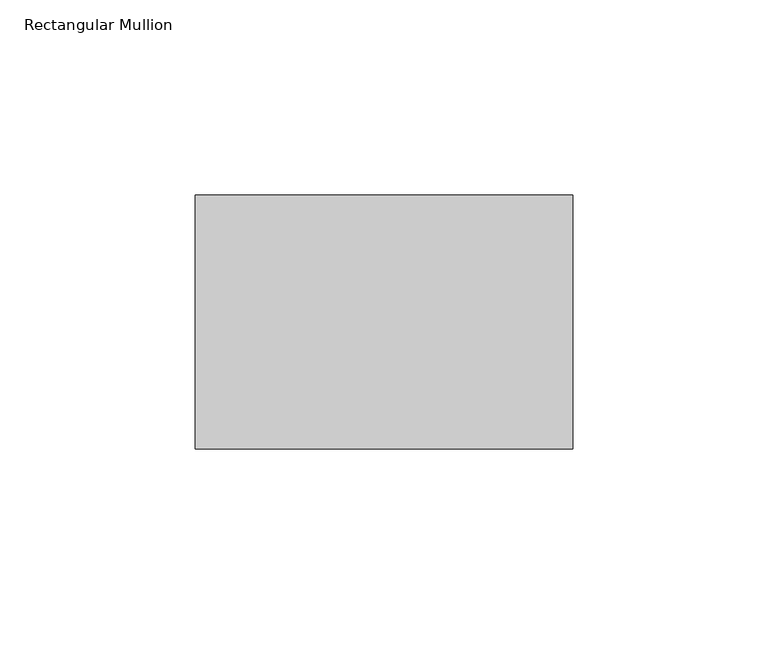
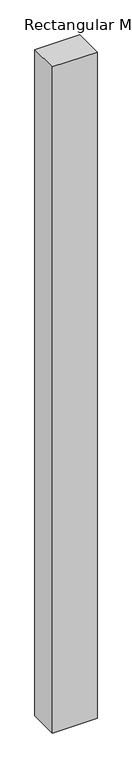
"""IFC4 building model written with IfcOpenShell, lengths in millimetres: member geometry, Rectangular Mullion."""

import ifcopenshell
import ifcopenshell.guid

model = None  # the IFC model being written
_history = None  # IfcOwnerHistory: only IFC2X3 demands one
_inside = {}  # id of a spatial element -> (the spatial element, [elements in it])
_under = {}  # id of a project, library or spatial element -> (it, [spatial elements below it])
_declared = {}  # id of a project -> (the project, [libraries it declares])
_typed = {}  # id of a type object -> (the type object, [elements of that type])
_made_of = {}  # id of a material, layer set ... -> (it, [elements and type objects made of it])


def new_model(schema):
    """Start an empty IFC model of exactly this schema.

    Asked for "IFC4X3", IfcOpenShell would pick the latest addendum, in which some entities
    have other attributes; the version numbers below select the first issue.
    IFC2X3 requires an IfcOwnerHistory on every rooted entity: one is made here for all.
    """
    global model, _history
    if schema == "IFC4X3":
        model = ifcopenshell.file(schema_version=(4, 3, 0, 0))
    else:
        model = ifcopenshell.file(schema=schema)
    _inside.clear()
    _under.clear()
    _declared.clear()
    _typed.clear()
    _made_of.clear()
    _history = None
    if model.schema == "IFC2X3":
        org = make("IfcOrganization", Name="unknown")
        user = make(
            "IfcPersonAndOrganization",
            ThePerson=make("IfcPerson", FamilyName="unknown"),
            TheOrganization=org,
        )
        app = make(
            "IfcApplication",
            ApplicationDeveloper=org,
            Version="unknown",
            ApplicationFullName="unknown",
            ApplicationIdentifier="unknown",
        )
        _history = make(
            "IfcOwnerHistory",
            OwningUser=user,
            OwningApplication=app,
            ChangeAction="ADDED",
            CreationDate=0,
        )
    return model


def make(cls, **values):
    """One entity of the class cls with the attributes given. An attribute that is None is left unset."""
    return model.create_entity(
        cls, **{name: value for name, value in values.items() if value is not None}
    )


def rooted(cls, **values):
    """An entity with a GlobalId (a new one), such as an element, a storey or a relation."""
    return make(cls, GlobalId=ifcopenshell.guid.new(), OwnerHistory=_history, **values)


def si_unit(unit_type, name, prefix=None):
    """IfcSIUnit, for example si_unit("LENGTHUNIT", "METRE", prefix="MILLI")."""
    return make("IfcSIUnit", UnitType=unit_type, Prefix=prefix, Name=name)


def assignment(units):
    """IfcUnitAssignment: the units of a project."""
    return None if units is None else make("IfcUnitAssignment", Units=units)


def point(xyz):
    """IfcCartesianPoint."""
    return None if xyz is None else make("IfcCartesianPoint", Coordinates=xyz)


def direction(xyz):
    """IfcDirection."""
    return None if xyz is None else make("IfcDirection", DirectionRatios=xyz)


def frame(location, z_axis=None, x_axis=None):
    """IfcAxis2Placement3D, a coordinate frame: its origin and axes. An axis left out is left unset."""
    return make(
        "IfcAxis2Placement3D",
        Location=point(location),
        Axis=direction(z_axis),
        RefDirection=direction(x_axis),
    )


def origin():
    """The frame at (0, 0, 0) with its axes left unset."""
    return frame((0.0, 0.0, 0.0))


def place(relative_to, where):
    """IfcLocalPlacement: puts the frame where relative to a parent placement (None: the world)."""
    return make(
        "IfcLocalPlacement", PlacementRelTo=relative_to, RelativePlacement=where
    )


def context(
    kind, dimensions, precision=None, world=None, true_north=None, identifier=None
):
    """IfcGeometricRepresentationContext, for example the 3D "Model" context."""
    return make(
        "IfcGeometricRepresentationContext",
        ContextIdentifier=identifier,
        ContextType=kind,
        CoordinateSpaceDimension=dimensions,
        Precision=precision,
        WorldCoordinateSystem=world,
        TrueNorth=true_north,
    )


def project(units=None, contexts=None):
    """IfcProject with its units and contexts."""
    return rooted(
        "IfcProject",
        Name="project",
        RepresentationContexts=contexts,
        UnitsInContext=assignment(units),
    )


def spatial(cls, under=None, at=None, **own):
    """A site, building, storey or space (cls), placed at a placement, below another one or the project."""
    s = rooted(cls, ObjectPlacement=at, **own)
    if under is not None:
        _under.setdefault(under.id(), (under, []))[1].append(s)
    return s


def polyline(points):
    """IfcPolyline through the points."""
    return make("IfcPolyline", Points=[point(p) for p in points])


def outline(outer, holes=None, kind="AREA"):
    """IfcArbitraryClosedProfileDef: a profile drawn as a closed curve; with holes, ...WithVoids."""
    if holes is None:
        return make("IfcArbitraryClosedProfileDef", ProfileType=kind, OuterCurve=outer)
    return make(
        "IfcArbitraryProfileDefWithVoids",
        ProfileType=kind,
        OuterCurve=outer,
        InnerCurves=holes,
    )


def extrude(swept, where, along, depth):
    """IfcExtrudedAreaSolid: the profile swept, set in the frame where, extruded along a direction by depth."""
    return make(
        "IfcExtrudedAreaSolid",
        SweptArea=swept,
        Position=where,
        ExtrudedDirection=direction(along),
        Depth=depth,
    )


def shape(context_of_items, identifier, shape_type, items):
    """IfcShapeRepresentation: the items that make up one representation, for example the "Body"."""
    return make(
        "IfcShapeRepresentation",
        ContextOfItems=context_of_items,
        RepresentationIdentifier=identifier,
        RepresentationType=shape_type,
        Items=items,
    )


def source(mapping_origin, context_of_items, identifier, shape_type, items):
    """IfcRepresentationMap: a shape defined once, which mapped items show again and again."""
    return make(
        "IfcRepresentationMap",
        MappingOrigin=mapping_origin,
        MappedRepresentation=shape(context_of_items, identifier, shape_type, items),
    )


def transform(
    local_origin,
    x_axis=None,
    y_axis=None,
    z_axis=None,
    scale=None,
    scale2=None,
    scale3=None,
    uniform=True,
):
    """IfcCartesianTransformationOperator3D, or its non-uniform kind. x_axis, y_axis, z_axis: its Axis1, 2, 3."""
    if uniform:
        return make(
            "IfcCartesianTransformationOperator3D",
            Axis1=direction(x_axis),
            Axis2=direction(y_axis),
            LocalOrigin=point(local_origin),
            Scale=scale,
            Axis3=direction(z_axis),
        )
    return make(
        "IfcCartesianTransformationOperator3DnonUniform",
        Axis1=direction(x_axis),
        Axis2=direction(y_axis),
        LocalOrigin=point(local_origin),
        Scale=scale,
        Axis3=direction(z_axis),
        Scale2=scale2,
        Scale3=scale3,
    )


def mapped(mapping_source, mapping_target):
    """IfcMappedItem: shows the shape of a source again, moved by a transform."""
    return make(
        "IfcMappedItem", MappingSource=mapping_source, MappingTarget=mapping_target
    )


def made_of(thing, what):
    """Note that an element or type object is made of a material, layer set ...; save() writes the relation."""
    if what is not None:
        _made_of.setdefault(what.id(), (what, []))[1].append(thing)
    return thing


def element(
    cls,
    number,
    at=None,
    inside=None,
    cuts=None,
    type_object=None,
    material=None,
    context=None,
    identifier="Body",
    shape_type=None,
    held_by="IfcProductDefinitionShape",
    body=None,
    shapes=None,
    **own,
):
    """One element of the class cls, such as IfcWall. Its Tag is "e" and its number.

    at: its placement. inside: the storey or other place that contains it. cuts: it is an
    opening in that element (IfcRelVoidsElement). A single representation is given by context,
    identifier, shape_type and body (its items); several are given by shapes. held_by: the class
    of the entity that holds the representations. save() writes the other relations.
    """
    e = rooted(cls, Tag="e%d" % number, ObjectPlacement=at, **own)
    if body is not None:
        shapes = [shape(context, identifier, shape_type, body)]
    if shapes is not None:
        e.Representation = make(held_by, Representations=shapes)
    if inside is not None:
        _inside.setdefault(inside.id(), (inside, []))[1].append(e)
    if cuts is not None:
        rooted(
            "IfcRelVoidsElement", RelatingBuildingElement=cuts, RelatedOpeningElement=e
        )
    if type_object is not None:
        _typed.setdefault(type_object.id(), (type_object, []))[1].append(e)
    return made_of(e, material)


def aggregate(whole, parts):
    """IfcRelAggregates: a whole, such as a stair, and the parts it consists of."""
    return rooted("IfcRelAggregates", RelatingObject=whole, RelatedObjects=parts)


def save(model, path):
    """Write the relations noted so far, then the file.

    IfcRelAggregates (storeys below a building ...), IfcRelContainedInSpatialStructure (elements
    in a storey), IfcRelDefinesByType, IfcRelAssociatesMaterial and IfcRelDeclares: one each for
    every whole, place, type object, material and project.
    """
    for whole, parts in _under.values():
        aggregate(whole, parts)
    for where, things in _inside.values():
        rooted(
            "IfcRelContainedInSpatialStructure",
            RelatedElements=things,
            RelatingStructure=where,
        )
    for kind, things in _typed.values():
        rooted("IfcRelDefinesByType", RelatedObjects=things, RelatingType=kind)
    for what, things in _made_of.values():
        rooted("IfcRelAssociatesMaterial", RelatedObjects=things, RelatingMaterial=what)
    for by, libraries in _declared.values():
        rooted("IfcRelDeclares", RelatingContext=by, RelatedDefinitions=libraries)
    model.write(path)


def rectangular_mullion_03364a3c(model_context):
    return source(origin(), model_context, "Body", "SweptSolid", [
        extrude(outline(polyline([(-96.8375, -42.8625), (-96.8375, 22.225), (0.0, 22.225), (0.0, -42.8625), (-96.8375, -42.8625)])), frame((0.0, 0.0, -1524.0), z_axis=(0.0, 0.0, 1.0), x_axis=(1.0, 0.0, 0.0)), (0.0, 0.0, 1.0), 1524.0),
    ])


if __name__ == "__main__":
    model = new_model("IFC4")
    model_context = context("Model", 3, world=origin())
    ifc_project = project(units=[si_unit("LENGTHUNIT", "METRE", prefix="MILLI")], contexts=[model_context])
    site = spatial("IfcSite", under=ifc_project)
    building = spatial("IfcBuilding", under=site)
    placement = place(None, origin())
    rectangular_mullion_shape = rectangular_mullion_03364a3c(model_context)
    element("IfcMember", 1, ObjectType="Rectangular Mullion", at=placement, inside=building, context=model_context, shape_type="MappedRepresentation", body=[
        mapped(rectangular_mullion_shape, transform((0.0, 0.0, 0.0), x_axis=(1.0, 0.0, 0.0), y_axis=(0.0, 1.0, 0.0), z_axis=(0.0, 0.0, 1.0))),
    ])
    save(model, "model.ifc")
